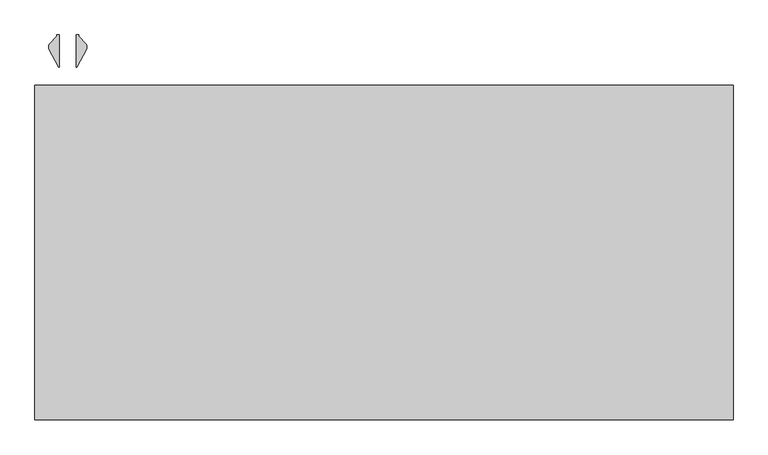
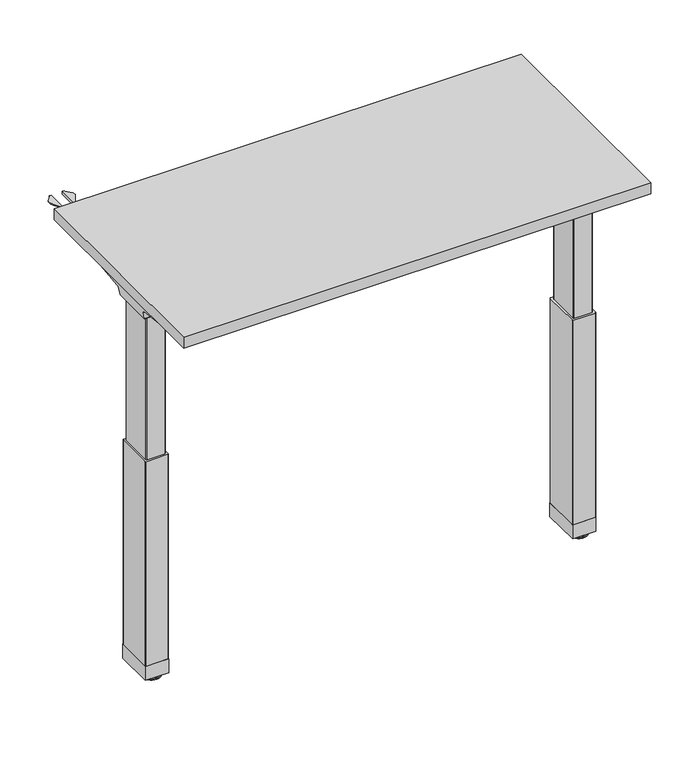
"""IFC4 building model written with IfcOpenShell, lengths in millimetres: furniture geometry."""

from ifc_helpers import new_model, si_unit, point, frame, frame_2d, origin, place, context, project, spatial, polyline, circle_curve, ellipse_curve, trimmed, segment, composite_curve, outline, extrude, source, transform, mapped, element, save
from ifc_brep_helpers import plane_surface, cylinder_surface, revolved_surface, advanced_brep


def furniture_1664a900(model_context):
    return source(origin(), model_context, "Body", "SolidModel", [
        extrude(outline(polyline([(-747.776, 434.1876), (-747.776, 1004.9256), (442.976, 1004.9256), (442.976, 434.1876), (-747.776, 434.1876)])), frame((0.0, 0.0, 1037.209), z_axis=(0.0, 0.0, 1.0), x_axis=(1.0, 0.0, 0.0)), (0.0, 0.0, 1.0), 29.591),
        advanced_brep(
        [(426.6406297, 635.7959426, 988.7915733), (367.4713552, 635.7959426, 988.7915733), (367.4713552, 638.024396, 986.1442785), (424.1518591, 638.024396, 986.1442785), (426.8625278, 635.7869568, 989.0276054), (429.2619089, 635.1429301, 1005.9443054), (367.4713552, 635.1429301, 1005.9443054), (430.1185362, 629.6758947, 1011.9839076), (367.4713552, 629.6758947, 1011.9839076), (432.6393767, 515.1046903, 1029.7569507), (367.4713552, 515.1046903, 1029.7569507), (432.7128152, 511.3286853, 1030.2747243), (367.4713552, 511.3286853, 1030.2747243), (433.3871296, 509.8184289, 1035.0289399), (431.6021288, 512.395324, 1037.209), (367.4713552, 512.395324, 1037.209), (432.7128152, 867.2817403, 1030.2747243), (367.4713552, 867.2817403, 1030.2747243), (367.4713552, 866.2151016, 1037.209), (431.6021288, 866.2151016, 1037.209), (433.3871296, 868.7919968, 1035.0289399), (432.6393767, 863.5057353, 1029.7569507), (367.4713552, 863.5057353, 1029.7569507), (430.1185362, 748.9345309, 1011.9839076), (367.4713552, 748.9345309, 1011.9839076), (429.2619089, 743.4674955, 1005.9443054), (367.4713552, 743.4674955, 1005.9443054), (426.8625278, 742.8234688, 989.0276054), (426.6406297, 742.814483, 988.7915733), (367.4713552, 742.814483, 988.7915733), (424.1518591, 740.5860297, 986.1442785), (367.4713552, 740.5860297, 986.1442785)],
        [
            (0, 1),
            (1, 2),
            (2, 3),
            (3, 0),
            (0, 4),
            (4, 5),
            (5, 6),
            (6, 1),
            (5, 7, ellipse_curve(frame((429.2119691, 628.6843719, 1005.5922075), z_axis=(0.9900906714849619, 0.0, -0.1404295632637843), x_axis=(0.1404295632637846, 0.0, 0.9900906714849619)), 6.5328852, 6.4681487)),
            (7, 8),
            (8, 6, circle_curve(frame((367.4713552, 628.6843719, 1005.5922075), z_axis=(-1.0, 0.0, 0.0), x_axis=(0.0, -1.0, 0.0)), 6.4681487)),
            (7, 9),
            (9, 10),
            (10, 8),
            (9, 11),
            (11, 12),
            (12, 10),
            (11, 13, ellipse_curve(frame((433.1730772, 513.3058017, 1033.5197755), z_axis=(-0.9900906714849619, 0.0, 0.1404295632637843), x_axis=(-0.1404295632637846, 0.0, -0.9900906714849619)), 3.8379455, 3.7999141)),
            (13, 14, ellipse_curve(frame((434.622811, 513.3058017, 1033.5197755), z_axis=(-0.7737284588432124, 0.0, -0.6335173809581766), x_axis=(-0.6335173809581766, 0.0, 0.7737284588432124)), 4.9111727, 3.7999141)),
            (14, 15),
            (15, 12, circle_curve(frame((367.4713552, 513.3058017, 1033.5197755), z_axis=(1.0, 0.0, 0.0), x_axis=(0.0, -1.0, 0.0)), 3.7999141)),
            (16, 17),
            (17, 18, circle_curve(frame((367.4713552, 865.3046239, 1033.5197755), z_axis=(1.0, 0.0, 0.0), x_axis=(0.0, -1.0, 0.0)), 3.7999141)),
            (18, 19),
            (19, 20, ellipse_curve(frame((434.622811, 865.3046239, 1033.5197755), z_axis=(-0.7737284588432124, 0.0, -0.6335173809581766), x_axis=(-0.6335173809581766, 0.0, 0.7737284588432124)), 4.9111727, 3.7999141)),
            (20, 16, ellipse_curve(frame((433.1730772, 865.3046239, 1033.5197755), z_axis=(-0.9900906714849619, 0.0, 0.1404295632637843), x_axis=(-0.1404295632637846, 0.0, -0.9900906714849619)), 3.8379455, 3.7999141)),
            (16, 21),
            (21, 22),
            (22, 17),
            (21, 23),
            (23, 24),
            (24, 22),
            (23, 25, ellipse_curve(frame((429.2119691, 749.9260537, 1005.5922075), z_axis=(0.9900906714849619, 0.0, -0.1404295632637843), x_axis=(0.1404295632637846, 0.0, 0.9900906714849619)), 6.5328852, 6.4681487)),
            (25, 26),
            (26, 24, circle_curve(frame((367.4713552, 749.9260537, 1005.5922075), z_axis=(-1.0, 0.0, 0.0), x_axis=(0.0, -1.0, 0.0)), 6.4681487)),
            (25, 27),
            (27, 28),
            (28, 29),
            (29, 26),
            (28, 30),
            (30, 31),
            (31, 29),
            (4, 27),
            (20, 13),
            (19, 14),
            (18, 15),
            (2, 31),
            (30, 3),
        ],
        [
            plane_surface(frame((449.6773962, 638.024396, 986.1442785), z_axis=(0.0, -0.7650318638532662, -0.6439924279750482), x_axis=(-1.0, 0.0, 0.0))),
            plane_surface(frame((449.6773962, 635.7959426, 988.7915733), z_axis=(0.0, -0.999276106683639, -0.03804290487316255), x_axis=(-1.0, 0.0, 0.0))),
            revolved_surface(polyline([(430.1293793154884, 622.2162232, 1005.5922075), (367.4713552, 622.2162232, 1005.5922075)]), (449.6773962, 628.6843719, 1005.5922075), (1.0, 0.0, 0.0)),
            plane_surface(frame((449.6773962, 629.6758947, 1011.9839076), z_axis=(0.0, -0.153293135871396, -0.9881807600306302), x_axis=(-1.0, 0.0, 0.0))),
            plane_surface(frame((449.6773962, 515.1046903, 1029.7569507), z_axis=(0.0, -0.13585085469026903, -0.9907292996979162), x_axis=(-1.0, 0.0, 0.0))),
            cylinder_surface(frame((449.6773962, 513.3058017, 1033.5197755), z_axis=(-1.0, 0.0, 0.0), x_axis=(0.0, -1.0, 0.0)), 3.7999141),
            cylinder_surface(frame((449.6773962, 865.3046239, 1033.5197755), z_axis=(-1.0, 0.0, 0.0), x_axis=(0.0, -1.0, 0.0)), 3.7999141),
            plane_surface(frame((449.6773962, 867.2817403, 1030.2747243), z_axis=(0.0, 0.13585085468791205, -0.9907292996982394), x_axis=(-1.0, 0.0, 0.0))),
            plane_surface(frame((449.6773962, 863.5057353, 1029.7569507), z_axis=(0.0, 0.1532931358714066, -0.9881807600306285), x_axis=(-1.0, 0.0, 0.0))),
            revolved_surface(polyline([(430.1293793154884, 743.457905, 1005.5922075), (367.4713552, 743.457905, 1005.5922075)]), (449.6773962, 749.9260537, 1005.5922075), (1.0, 0.0, 0.0)),
            plane_surface(frame((449.6773962, 743.4674955, 1005.9443054), z_axis=(0.0, 0.9992761066836363, -0.03804290487323539), x_axis=(-1.0, 0.0, 0.0))),
            plane_surface(frame((449.6773962, 742.814483, 988.7915733), z_axis=(0.0, 0.7650318638534733, -0.643992427974802), x_axis=(-1.0, 0.0, 0.0))),
            plane_surface(frame((426.8625278, 498.8052128, 989.0276054), z_axis=(0.9900906714849619, 0.0, -0.1404295632637843), x_axis=(0.0, 1.0, 0.0))),
            plane_surface(frame((433.3871296, 498.8052128, 1035.0289399), z_axis=(0.7737284588432124, 0.0, 0.6335173809581766), x_axis=(0.0, 1.0, 0.0))),
            plane_surface(frame((431.6021288, 498.8052128, 1037.209), z_axis=(0.0, 0.0, 1.0), x_axis=(0.0, 1.0, 0.0))),
            plane_surface(frame((367.4713552, 498.8052128, 986.1442785), z_axis=(0.0, 0.0, -1.0), x_axis=(0.0, 1.0, 0.0))),
            plane_surface(frame((424.1518591, 498.8052128, 986.1442785), z_axis=(0.7285846064197382, 0.0, -0.684955817033621), x_axis=(0.0, 1.0, 0.0))),
            plane_surface(frame((367.4713552, 498.8052128, 1037.209), z_axis=(-1.0, 0.0, 0.0), x_axis=(0.0, 1.0, 0.0))),
        ],
        [
            (0, [[1, 2, 3, 4]]),
            (1, [[-1, 5, 6, 7, 8]]),
            (2, [[-7, 9, 10, 11]]),
            (3, [[-10, 12, 13, 14]]),
            (4, [[-13, 15, 16, 17]]),
            (5, [[-16, 18, 19, 20, 21]]),
            (6, [[22, 23, 24, 25, 26]]),
            (7, [[-22, 27, 28, 29]]),
            (8, [[-28, 30, 31, 32]]),
            (9, [[-31, 33, 34, 35]]),
            (10, [[-34, 36, 37, 38, 39]]),
            (11, [[-38, 40, 41, 42]]),
            (12, [[43, -36, -33, -30, -27, -26, 44, -18, -15, -12, -9, -6]]),
            (13, [[-44, -25, 45, -19]]),
            (14, [[-45, -24, 46, -20]]),
            (15, [[47, -41, 48, -3]]),
            (16, [[-43, -5, -4, -48, -40, -37]]),
            (17, [[-47, -2, -8, -11, -14, -17, -21, -46, -23, -29, -32, -35, -39, -42]]),
        ],
    ),
        advanced_brep(
        [(-672.2624028, 635.7959426, 988.7915733), (-731.4406297, 635.7959426, 988.7915733), (-728.9518591, 638.024396, 986.1442785), (-672.2624028, 638.024396, 986.1442785), (-672.2624028, 635.1429301, 1005.9443054), (-734.0619089, 635.1429301, 1005.9443054), (-731.6625278, 635.7869568, 989.0276054), (-672.2624028, 629.6758947, 1011.9839076), (-734.9185362, 629.6758947, 1011.9839076), (-672.2624028, 515.1046903, 1029.7569507), (-737.4393767, 515.1046903, 1029.7569507), (-672.2624028, 511.3286853, 1030.2747243), (-737.5128152, 511.3286853, 1030.2747243), (-672.2624028, 512.395324, 1037.209), (-736.4021288, 512.395324, 1037.209), (-738.1871296, 509.8184289, 1035.0289399), (-672.2624028, 867.2817403, 1030.2747243), (-737.5128152, 867.2817403, 1030.2747243), (-738.1871296, 868.7919968, 1035.0289399), (-736.4021288, 866.2151016, 1037.209), (-672.2624028, 866.2151016, 1037.209), (-672.2624028, 863.5057353, 1029.7569507), (-737.4393767, 863.5057353, 1029.7569507), (-672.2624028, 748.9345309, 1011.9839076), (-734.9185362, 748.9345309, 1011.9839076), (-672.2624028, 743.4674955, 1005.9443054), (-734.0619089, 743.4674955, 1005.9443054), (-672.2624028, 742.814483, 988.7915733), (-731.4406297, 742.814483, 988.7915733), (-731.6625278, 742.8234688, 989.0276054), (-672.2624028, 740.5860297, 986.1442785), (-728.9518591, 740.5860297, 986.1442785)],
        [
            (0, 1),
            (1, 2),
            (2, 3),
            (3, 0),
            (0, 4),
            (4, 5),
            (5, 6),
            (6, 1),
            (4, 7, circle_curve(frame((-672.2624028, 628.6843719, 1005.5922075), z_axis=(1.0, 0.0, 0.0), x_axis=(0.0, -1.0, 0.0)), 6.4681487)),
            (7, 8),
            (8, 5, ellipse_curve(frame((-734.0119691, 628.6843719, 1005.5922075), z_axis=(-0.9900906714849659, 0.0, -0.1404295632637567), x_axis=(0.1404295632637562, 0.0, -0.9900906714849659)), 6.5328852, 6.4681487)),
            (7, 9),
            (9, 10),
            (10, 8),
            (9, 11),
            (11, 12),
            (12, 10),
            (11, 13, circle_curve(frame((-672.2624028, 513.3058017, 1033.5197755), z_axis=(-1.0, 0.0, 0.0), x_axis=(0.0, -1.0, 0.0)), 3.7999141)),
            (13, 14),
            (14, 15, ellipse_curve(frame((-739.422811, 513.3058017, 1033.5197755), z_axis=(0.7737284588399557, 0.0, -0.633517380962154), x_axis=(-0.6335173809621538, 0.0, -0.7737284588399556)), 4.9111727, 3.7999141)),
            (15, 12, ellipse_curve(frame((-737.9730772, 513.3058017, 1033.5197755), z_axis=(0.9900906714849659, 0.0, 0.1404295632637567), x_axis=(-0.1404295632637562, 0.0, 0.9900906714849659)), 3.8379455, 3.7999141)),
            (16, 17),
            (17, 18, ellipse_curve(frame((-737.9730772, 865.3046239, 1033.5197755), z_axis=(0.9900906714849659, 0.0, 0.1404295632637567), x_axis=(-0.1404295632637562, 0.0, 0.9900906714849659)), 3.8379455, 3.7999141)),
            (18, 19, ellipse_curve(frame((-739.422811, 865.3046239, 1033.5197755), z_axis=(0.7737284588399557, 0.0, -0.633517380962154), x_axis=(-0.6335173809621538, 0.0, -0.7737284588399556)), 4.9111727, 3.7999141)),
            (19, 20),
            (20, 16, circle_curve(frame((-672.2624028, 865.3046239, 1033.5197755), z_axis=(-1.0, 0.0, 0.0), x_axis=(0.0, -1.0, 0.0)), 3.7999141)),
            (16, 21),
            (21, 22),
            (22, 17),
            (21, 23),
            (23, 24),
            (24, 22),
            (23, 25, circle_curve(frame((-672.2624028, 749.9260537, 1005.5922075), z_axis=(1.0, 0.0, 0.0), x_axis=(0.0, -1.0, 0.0)), 6.4681487)),
            (25, 26),
            (26, 24, ellipse_curve(frame((-734.0119691, 749.9260537, 1005.5922075), z_axis=(-0.9900906714849659, 0.0, -0.1404295632637567), x_axis=(0.1404295632637562, 0.0, -0.9900906714849659)), 6.5328852, 6.4681487)),
            (25, 27),
            (27, 28),
            (28, 29),
            (29, 26),
            (27, 30),
            (30, 31),
            (31, 28),
            (29, 6),
            (15, 18),
            (14, 19),
            (13, 20),
            (30, 3),
            (2, 31),
        ],
        [
            plane_surface(frame((-551.4619573, 638.024396, 986.1442785), z_axis=(0.0, -0.7650318638532565, -0.6439924279750596), x_axis=(-1.0, 0.0, 0.0))),
            plane_surface(frame((-551.4619573, 635.7959426, 988.7915733), z_axis=(0.0, -0.9992761066836392, -0.03804290487315862), x_axis=(-1.0, 0.0, 0.0))),
            revolved_surface(polyline([(-672.2624028, 622.2162232, 1005.5922075), (-734.9293793154882, 622.2162232, 1005.5922075)]), (-551.4619573, 628.6843719, 1005.5922075), (1.0, 0.0, 0.0)),
            plane_surface(frame((-551.4619573, 629.6758947, 1011.9839076), z_axis=(0.0, -0.15329313587140309, -0.988180760030629), x_axis=(-1.0, 0.0, 0.0))),
            plane_surface(frame((-551.4619573, 515.1046903, 1029.7569507), z_axis=(0.0, -0.1358508546900816, -0.9907292996979419), x_axis=(-1.0, 0.0, 0.0))),
            cylinder_surface(frame((-551.4619573, 513.3058017, 1033.5197755), z_axis=(-1.0, 0.0, 0.0), x_axis=(0.0, -1.0, 0.0)), 3.7999141),
            cylinder_surface(frame((-551.4619573, 865.3046239, 1033.5197755), z_axis=(-1.0, 0.0, 0.0), x_axis=(0.0, -1.0, 0.0)), 3.7999141),
            plane_surface(frame((-551.4619573, 867.2817403, 1030.2747243), z_axis=(0.0, 0.1358508546877776, -0.9907292996982578), x_axis=(-1.0, 0.0, 0.0))),
            plane_surface(frame((-551.4619573, 863.5057353, 1029.7569507), z_axis=(0.0, 0.15329313587141113, -0.9881807600306277), x_axis=(-1.0, 0.0, 0.0))),
            revolved_surface(polyline([(-672.2624028, 743.457905, 1005.5922075), (-734.9293793154882, 743.457905, 1005.5922075)]), (-551.4619573, 749.9260537, 1005.5922075), (1.0, 0.0, 0.0)),
            plane_surface(frame((-551.4619573, 743.4674955, 1005.9443054), z_axis=(0.0, 0.9992761066836363, -0.03804290487323539), x_axis=(-1.0, 0.0, 0.0))),
            plane_surface(frame((-551.4619573, 742.814483, 988.7915733), z_axis=(0.0, 0.7650318638534733, -0.643992427974802), x_axis=(-1.0, 0.0, 0.0))),
            plane_surface(frame((-731.6625278, 879.8052128, 989.0276054), z_axis=(-0.9900906714849659, 0.0, -0.1404295632637567), x_axis=(0.0, -1.0, 0.0))),
            plane_surface(frame((-738.1871296, 879.8052128, 1035.0289399), z_axis=(-0.7737284588399557, 0.0, 0.633517380962154), x_axis=(0.0, -1.0, 0.0))),
            plane_surface(frame((-736.4021288, 879.8052128, 1037.209), z_axis=(0.0, 0.0, 1.0), x_axis=(0.0, -1.0, 0.0))),
            plane_surface(frame((-672.2624028, 879.8052128, 986.1442785), z_axis=(0.0, 0.0, -1.0), x_axis=(0.0, -1.0, 0.0))),
            plane_surface(frame((-728.9518591, 879.8052128, 986.1442785), z_axis=(-0.7285846064222696, 0.0, -0.6849558170309284), x_axis=(0.0, -1.0, 0.0))),
            plane_surface(frame((-672.2624028, 879.8052128, 1037.209), z_axis=(1.0, 0.0, 0.0), x_axis=(0.0, -1.0, 0.0))),
        ],
        [
            (0, [[1, 2, 3, 4]]),
            (1, [[-1, 5, 6, 7, 8]]),
            (2, [[-6, 9, 10, 11]]),
            (3, [[-10, 12, 13, 14]]),
            (4, [[-13, 15, 16, 17]]),
            (5, [[-16, 18, 19, 20, 21]]),
            (6, [[22, 23, 24, 25, 26]]),
            (7, [[-22, 27, 28, 29]]),
            (8, [[-28, 30, 31, 32]]),
            (9, [[-31, 33, 34, 35]]),
            (10, [[-34, 36, 37, 38, 39]]),
            (11, [[-37, 40, 41, 42]]),
            (12, [[43, -7, -11, -14, -17, -21, 44, -23, -29, -32, -35, -39]]),
            (13, [[-44, -20, 45, -24]]),
            (14, [[-45, -19, 46, -25]]),
            (15, [[47, -3, 48, -41]]),
            (16, [[-43, -38, -42, -48, -2, -8]]),
            (17, [[-47, -40, -36, -33, -30, -27, -26, -46, -18, -15, -12, -9, -5, -4]]),
        ],
    ),
        advanced_brep(
        [(-675.0283088, 644.5569631, 986.1442785), (-672.2624028, 646.9102017, 986.1442785), (-672.2624028, 731.683827, 986.1442785), (-675.3159671, 734.0332258, 986.1442785), (-718.6299922, 734.0534625, 986.1442785), (-721.6895972, 731.6837192, 986.1442785), (-721.6895972, 646.9101172, 986.1442785), (-718.9236912, 644.5569631, 986.1442785), (-675.0283088, 644.5569631, 599.0990058), (-718.9236912, 644.5569631, 599.0990058), (-721.6895972, 646.9101172, 599.0990058), (-721.6895972, 731.6837192, 599.0990058), (-718.6360098, 734.0332205, 599.0990058), (-675.3220078, 734.0534625, 599.0990058), (-672.2624028, 731.683827, 599.0990058), (-672.2624028, 646.9102017, 599.0990058)],
        [
            (0, 1, circle_curve(frame((-675.3300788, 647.7137409, 986.1442785), z_axis=(0.0, 0.0, 1.0), x_axis=(-1.0, 0.0, 0.0)), 3.1711688)),
            (1, 2),
            (2, 3, circle_curve(frame((-675.3159671, 730.8741348, 986.1442785), z_axis=(0.0, 0.0, 1.0), x_axis=(-1.0, 0.0, 0.0)), 3.1590911)),
            (3, 4),
            (4, 5, circle_curve(frame((-718.6360098, 730.8741348, 986.1442785), z_axis=(0.0, 0.0, 1.0), x_axis=(-1.0, 0.0, 0.0)), 3.1590858)),
            (5, 6),
            (6, 7, circle_curve(frame((-718.6219439, 647.7137431, 986.1442785), z_axis=(0.0, 0.0, 1.0), x_axis=(-1.0, 0.0, 0.0)), 3.1711687)),
            (7, 0),
            (8, 9),
            (9, 10, circle_curve(frame((-718.6219439, 647.7137431, 599.0990058), z_axis=(0.0, 0.0, -1.0), x_axis=(-1.0, 0.0, 0.0)), 3.1711687)),
            (10, 11),
            (11, 12, circle_curve(frame((-718.6360098, 730.8741348, 599.0990058), z_axis=(0.0, 0.0, -1.0), x_axis=(-1.0, 0.0, 0.0)), 3.1590858)),
            (12, 13),
            (13, 14, circle_curve(frame((-675.3159671, 730.8741348, 599.0990058), z_axis=(0.0, 0.0, -1.0), x_axis=(-1.0, 0.0, 0.0)), 3.1590911)),
            (14, 15),
            (15, 8, circle_curve(frame((-675.3300788, 647.7137409, 599.0990058), z_axis=(0.0, 0.0, -1.0), x_axis=(-1.0, 0.0, 0.0)), 3.1711688)),
            (7, 9),
            (8, 0),
            (6, 10),
            (5, 11),
            (4, 12),
            (3, 13),
            (2, 14),
            (1, 15),
        ],
        [
            plane_surface(frame((-678.5012476, 647.7137409, 986.1442785), z_axis=(0.0, 0.0, 1.0), x_axis=(0.0, -1.0, 0.0))),
            plane_surface(frame((-678.5012476, 647.7137409, 599.0990058), z_axis=(0.0, 0.0, -1.0), x_axis=(0.0, 1.0, 0.0))),
            plane_surface(frame((-718.9236912, 644.5569631, 986.1442785), z_axis=(0.0, -1.0, 0.0), x_axis=(0.0, 0.0, -1.0))),
            cylinder_surface(frame((-718.6219439, 647.7137431, 599.0990058), z_axis=(0.0, 0.0, 1.0), x_axis=(-1.0, 0.0, 0.0)), 3.1711687),
            plane_surface(frame((-721.6895972, 731.6837192, 986.1442785), z_axis=(-1.0, 0.0, 0.0), x_axis=(0.0, 0.0, -1.0))),
            cylinder_surface(frame((-718.6360098, 730.8741348, 599.0990058), z_axis=(0.0, 0.0, 1.0), x_axis=(-1.0, 0.0, 0.0)), 3.1590858),
            plane_surface(frame((-675.3220078, 734.0534625, 986.1442785), z_axis=(0.0, 1.0, 0.0), x_axis=(0.0, 0.0, -1.0))),
            cylinder_surface(frame((-675.3159671, 730.8741348, 599.0990058), z_axis=(0.0, 0.0, 1.0), x_axis=(-1.0, 0.0, 0.0)), 3.1590911),
            plane_surface(frame((-672.2624028, 646.9102017, 986.1442785), z_axis=(1.0, 0.0, 0.0), x_axis=(0.0, 0.0, -1.0))),
            cylinder_surface(frame((-675.3300788, 647.7137409, 599.0990058), z_axis=(0.0, 0.0, 1.0), x_axis=(-1.0, 0.0, 0.0)), 3.1711688),
        ],
        [
            (0, [[1, 2, 3, 4, 5, 6, 7, 8]]),
            (1, [[9, 10, 11, 12, 13, 14, 15, 16]]),
            (2, [[-8, 17, -9, 18]]),
            (3, [[-7, 19, -10, -17]]),
            (4, [[-6, 20, -11, -19]]),
            (5, [[-5, 21, -12, -20]]),
            (6, [[-4, 22, -13, -21]]),
            (7, [[-3, 23, -14, -22]]),
            (8, [[-2, 24, -15, -23]]),
            (9, [[-1, -18, -16, -24]]),
        ],
    ),
        advanced_brep(
        [(370.2283088, 644.5569631, 986.1442785), (414.1236912, 644.5569631, 986.1442785), (416.8806448, 646.8766887, 986.1442785), (416.8806448, 731.716762, 986.1442785), (413.8360098, 734.0332205, 986.1442785), (370.5220078, 734.0534625, 986.1442785), (367.4713552, 731.7168653, 986.1442785), (367.4713552, 646.8767695, 986.1442785), (370.2283088, 644.5569631, 599.0990058), (367.4713552, 646.8767695, 599.0990058), (367.4713552, 731.7168653, 599.0990058), (370.5159671, 734.0332258, 599.0990058), (413.8299922, 734.0534625, 599.0990058), (416.8806448, 731.716762, 599.0990058), (416.8806448, 646.8766887, 599.0990058), (414.1236912, 644.5569631, 599.0990058)],
        [
            (0, 1),
            (1, 2, circle_curve(frame((413.8219439, 647.7137431, 986.1442785), z_axis=(0.0, 0.0, 1.0), x_axis=(1.0, 0.0, 0.0)), 3.1711687)),
            (2, 3),
            (3, 4, circle_curve(frame((413.8360098, 730.8741348, 986.1442785), z_axis=(0.0, 0.0, 1.0), x_axis=(1.0, 0.0, 0.0)), 3.1590858)),
            (4, 5),
            (5, 6, circle_curve(frame((370.5159671, 730.8741348, 986.1442785), z_axis=(0.0, 0.0, 1.0), x_axis=(1.0, 0.0, 0.0)), 3.1590911)),
            (6, 7),
            (7, 0, circle_curve(frame((370.5300788, 647.7137409, 986.1442785), z_axis=(0.0, 0.0, 1.0), x_axis=(1.0, 0.0, 0.0)), 3.1711688)),
            (8, 9, circle_curve(frame((370.5300788, 647.7137409, 599.0990058), z_axis=(0.0, 0.0, -1.0), x_axis=(1.0, 0.0, 0.0)), 3.1711688)),
            (9, 10),
            (10, 11, circle_curve(frame((370.5159671, 730.8741348, 599.0990058), z_axis=(0.0, 0.0, -1.0), x_axis=(1.0, 0.0, 0.0)), 3.1590911)),
            (11, 12),
            (12, 13, circle_curve(frame((413.8360098, 730.8741348, 599.0990058), z_axis=(0.0, 0.0, -1.0), x_axis=(1.0, 0.0, 0.0)), 3.1590858)),
            (13, 14),
            (14, 15, circle_curve(frame((413.8219439, 647.7137431, 599.0990058), z_axis=(0.0, 0.0, -1.0), x_axis=(1.0, 0.0, 0.0)), 3.1711687)),
            (15, 8),
            (0, 8),
            (15, 1),
            (14, 2),
            (13, 3),
            (12, 4),
            (11, 5),
            (10, 6),
            (9, 7),
        ],
        [
            plane_surface(frame((414.1236912, 644.5569631, 986.1442785), z_axis=(0.0, 0.0, 1.0), x_axis=(1.0, 0.0, 0.0))),
            plane_surface(frame((414.1236912, 644.5569631, 599.0990058), z_axis=(0.0, 0.0, -1.0), x_axis=(-1.0, 0.0, 0.0))),
            plane_surface(frame((370.2283088, 644.5569631, 986.1442785), z_axis=(0.0, -1.0, 0.0), x_axis=(0.0, 0.0, -1.0))),
            cylinder_surface(frame((413.8219439, 647.7137431, 599.0990058), z_axis=(0.0, 0.0, 1.0), x_axis=(1.0, 0.0, 0.0)), 3.1711687),
            plane_surface(frame((416.8806448, 646.8766887, 986.1442785), z_axis=(1.0, 0.0, 0.0), x_axis=(0.0, 0.0, -1.0))),
            cylinder_surface(frame((413.8360098, 730.8741348, 599.0990058), z_axis=(0.0, 0.0, 1.0), x_axis=(1.0, 0.0, 0.0)), 3.1590858),
            plane_surface(frame((413.8299922, 734.0534625, 986.1442785), z_axis=(0.0, 1.0, 0.0), x_axis=(0.0, 0.0, -1.0))),
            cylinder_surface(frame((370.5159671, 730.8741348, 599.0990058), z_axis=(0.0, 0.0, 1.0), x_axis=(1.0, 0.0, 0.0)), 3.1590911),
            plane_surface(frame((367.4713552, 731.7168653, 986.1442785), z_axis=(-1.0, -1.2500910194563498e-12, 0.0), x_axis=(0.0, 0.0, -1.0))),
            cylinder_surface(frame((370.5300788, 647.7137409, 599.0990058), z_axis=(0.0, 0.0, 1.0), x_axis=(1.0, 0.0, 0.0)), 3.1711688),
        ],
        [
            (0, [[1, 2, 3, 4, 5, 6, 7, 8]]),
            (1, [[9, 10, 11, 12, 13, 14, 15, 16]]),
            (2, [[-1, 17, -16, 18]]),
            (3, [[-2, -18, -15, 19]]),
            (4, [[-3, -19, -14, 20]]),
            (5, [[-4, -20, -13, 21]]),
            (6, [[-5, -21, -12, 22]]),
            (7, [[-6, -22, -11, 23]]),
            (8, [[-7, -23, -10, 24]]),
            (9, [[-8, -24, -9, -17]]),
        ],
    ),
        extrude(outline(composite_curve([segment(trimmed(circle_curve(frame_2d((364.516092, 641.5793048)), 2.248592), [point((364.516092, 639.3307128))], [point((362.2675, 641.5793048))], False, "CARTESIAN"), True, "CONTINUOUS"), segment(polyline([(362.2675, 641.5793048), (362.2675, 737.0310659)]), True, "CONTINUOUS"), segment(trimmed(circle_curve(frame_2d((364.5161469, 737.0310659)), 2.2486469), [point((362.2675, 737.0310659))], [point((364.5161469, 739.2797128))], False, "CARTESIAN"), True, "CONTINUOUS"), segment(polyline([(364.5161469, 739.2797128), (419.835908, 739.2797128)]), True, "CONTINUOUS"), segment(trimmed(circle_curve(frame_2d((419.835908, 737.0311208)), 2.248592), [point((419.835908, 739.2797128))], [point((422.0845, 737.0311208))], False, "CARTESIAN"), True, "CONTINUOUS"), segment(polyline([(422.0845, 737.0311208), (422.0845, 641.5793048)]), True, "CONTINUOUS"), segment(trimmed(circle_curve(frame_2d((419.835908, 641.5793048)), 2.248592), [point((422.0845, 641.5793048))], [point((419.835908, 639.3307128))], False, "CARTESIAN"), True, "CONTINUOUS"), segment(polyline([(419.835908, 639.3307128), (364.516092, 639.3307128)]), True, "CONTINUOUS")], self_intersect=False)), frame((0.0, 0.0, 48.1000573), z_axis=(0.0, 0.0, 1.0), x_axis=(1.0, 0.0, 0.0)), (0.0, 0.0, 1.0), 550.9989485),
        extrude(outline(composite_curve([segment(trimmed(circle_curve(frame_2d((-724.5521079, 641.6631049)), 2.3323921), [point((-724.5521079, 639.3307128))], [point((-726.8845, 641.6631049))], False, "CARTESIAN"), True, "CONTINUOUS"), segment(polyline([(-726.8845, 641.6631049), (-726.8845, 736.9473207)]), True, "CONTINUOUS"), segment(trimmed(circle_curve(frame_2d((-724.5521079, 736.9473207)), 2.3323921), [point((-726.8845, 736.9473207))], [point((-724.5521079, 739.2797128))], False, "CARTESIAN"), True, "CONTINUOUS"), segment(polyline([(-724.5521079, 739.2797128), (-669.3998921, 739.2797128)]), True, "CONTINUOUS"), segment(trimmed(circle_curve(frame_2d((-669.3998921, 736.9473207)), 2.3323921), [point((-669.3998921, 739.2797128))], [point((-667.0675, 736.9473207))], False, "CARTESIAN"), True, "CONTINUOUS"), segment(polyline([(-667.0675, 736.9473207), (-667.0675, 641.6631049)]), True, "CONTINUOUS"), segment(trimmed(circle_curve(frame_2d((-669.3998921, 641.6631049)), 2.3323921), [point((-667.0675, 641.6631049))], [point((-669.3998921, 639.3307128))], False, "CARTESIAN"), True, "CONTINUOUS"), segment(polyline([(-669.3998921, 639.3307128), (-724.5521079, 639.3307128)]), True, "CONTINUOUS")], self_intersect=False)), frame((0.0, 0.0, 48.1000573), z_axis=(0.0, 0.0, 1.0), x_axis=(1.0, 0.0, 0.0)), (0.0, 0.0, 1.0), 550.9989485),
        advanced_brep(
        [(-696.976, 671.3030475, 10.2361894), (-696.976, 657.2832975, 10.2361894), (-696.976, 657.6704727, 8.7946116), (-696.976, 670.9158723, 8.7946116), (-696.976, 664.2931725, 10.2361894), (-696.976, 685.2500609, 0.0), (-696.976, 643.3362842, 0.0), (-696.976, 664.2931725, 0.0), (-696.976, 686.7937912, 1.5436985), (-696.976, 641.7925538, 1.5436985), (-696.976, 686.7937365, 4.1072626), (-696.976, 641.7926085, 4.1072626), (-696.976, 685.2538961, 5.9174378), (-696.976, 643.3324489, 5.9174378)],
        [
            (0, 1, circle_curve(frame((-696.976, 664.2931725, 10.2361894), z_axis=(0.0, 0.0, -1.0), x_axis=(0.0, -1.0, 0.0)), 7.009875)),
            (1, 2),
            (2, 3, circle_curve(frame((-696.976, 664.2931725, 8.7946116), z_axis=(0.0, 0.0, 1.0), x_axis=(0.0, -1.0, 0.0)), 6.6226998)),
            (3, 0),
            (1, 0, circle_curve(frame((-696.976, 664.2931725, 10.2361894), z_axis=(0.0, 0.0, -1.0), x_axis=(0.0, -1.0, 0.0)), 7.009875)),
            (3, 2, circle_curve(frame((-696.976, 664.2931725, 8.7946116), z_axis=(0.0, 0.0, 1.0), x_axis=(0.0, -1.0, 0.0)), 6.6226998)),
            (4, 1),
            (0, 4),
            (5, 6, circle_curve(frame((-696.976, 664.2931725, 0.0), z_axis=(0.0, 0.0, -1.0), x_axis=(0.0, -1.0, 0.0)), 20.9568884)),
            (6, 7),
            (7, 5),
            (6, 5, circle_curve(frame((-696.976, 664.2931725, 0.0), z_axis=(0.0, 0.0, -1.0), x_axis=(0.0, -1.0, 0.0)), 20.9568884)),
            (8, 9, circle_curve(frame((-696.976, 664.2931725, 1.5436985), z_axis=(0.0, 0.0, -1.0), x_axis=(0.0, -1.0, 0.0)), 22.5006187)),
            (9, 6),
            (5, 8),
            (9, 8, circle_curve(frame((-696.976, 664.2931725, 1.5436985), z_axis=(0.0, 0.0, -1.0), x_axis=(0.0, -1.0, 0.0)), 22.5006187)),
            (10, 11, circle_curve(frame((-696.976, 664.2931725, 4.1072626), z_axis=(0.0, 0.0, -1.0), x_axis=(0.0, -1.0, 0.0)), 22.500564)),
            (11, 9),
            (8, 10),
            (11, 10, circle_curve(frame((-696.976, 664.2931725, 4.1072626), z_axis=(0.0, 0.0, -1.0), x_axis=(0.0, -1.0, 0.0)), 22.500564)),
            (12, 13, circle_curve(frame((-696.976, 664.2931725, 5.9174378), z_axis=(0.0, 0.0, -1.0), x_axis=(0.0, -1.0, 0.0)), 20.9607236)),
            (13, 11),
            (10, 12),
            (13, 12, circle_curve(frame((-696.976, 664.2931725, 5.9174378), z_axis=(0.0, 0.0, -1.0), x_axis=(0.0, -1.0, 0.0)), 20.9607236)),
            (2, 13),
            (12, 3),
        ],
        [
            revolved_surface(polyline([(-696.976, 657.6704727, 8.7946116), (-696.976, 657.2832975, 10.2361894)]), (-696.976, 664.2931725, 0.0), (0.0, 0.0, 1.0)),
            plane_surface(frame((-696.976, 664.2931725, 10.2361894), z_axis=(0.0, 0.0, 1.0), x_axis=(0.0, -1.0, 0.0))),
            plane_surface(frame((-696.976, 664.2931725, 0.0), z_axis=(0.0, 0.0, -1.0), x_axis=(0.0, -1.0, 0.0))),
            revolved_surface(polyline([(-696.976, 643.3362842, 0.0), (-696.976, 641.7925538, 1.5436985)]), (-696.976, 664.2931725, 0.0), (0.0, 0.0, 1.0)),
            cylinder_surface(frame((-696.976, 664.2931725, 0.0), z_axis=(0.0, 0.0, 1.0), x_axis=(0.0, -1.0, 0.0)), 22.500564),
            revolved_surface(polyline([(-696.976, 641.792463, 4.1072626), (-696.976, 643.3324489, 5.9174378)]), (-696.976, 664.2931725, 0.0), (0.0, 0.0, 1.0)),
            revolved_surface(polyline([(-696.976, 643.3324489, 5.9174378), (-696.976, 657.6704727, 8.7946116)]), (-696.976, 664.2931725, 0.0), (0.0, 0.0, 1.0)),
        ],
        [
            (0, [[1, 2, 3, 4]]),
            (0, [[5, -4, 6, -2]]),
            (1, [[7, -1, 8]]),
            (1, [[-8, -5, -7]]),
            (2, [[9, 10, 11]]),
            (2, [[12, -11, -10]]),
            (3, [[13, 14, -9, 15]]),
            (3, [[16, -15, -12, -14]]),
            (4, [[17, 18, -13, 19]]),
            (4, [[20, -19, -16, -18]]),
            (5, [[21, 22, -17, 23]]),
            (5, [[24, -23, -20, -22]]),
            (6, [[-3, 25, -21, 26]]),
            (6, [[-6, -26, -24, -25]]),
        ],
    ),
        extrude(outline(polyline([(-667.0675, 738.9199959), (-667.0675, 639.5370001), (-726.8845, 639.5370001), (-726.8845, 738.9199959), (-667.0675, 738.9199959)])), frame((0.0, 0.0, 10.2361894), z_axis=(0.0, 0.0, 1.0), x_axis=(1.0, 0.0, 0.0)), (0.0, 0.0, 1.0), 37.8638679),
        advanced_brep(
        [(392.176, 671.3030475, 10.2361894), (392.176, 657.2832975, 10.2361894), (392.176, 657.6704727, 8.7946116), (392.176, 670.9158723, 8.7946116), (392.176, 664.2931725, 10.2361894), (392.176, 685.2500609, 0.0), (392.176, 643.3362842, 0.0), (392.176, 664.2931725, 0.0), (392.176, 686.7937912, 1.5436985), (392.176, 641.7925538, 1.5436985), (392.176, 686.7937365, 4.1072626), (392.176, 641.7926085, 4.1072626), (392.176, 685.2538961, 5.9174378), (392.176, 643.3324489, 5.9174378)],
        [
            (0, 1, circle_curve(frame((392.176, 664.2931725, 10.2361894), z_axis=(0.0, 0.0, -1.0), x_axis=(0.0, -1.0, 0.0)), 7.009875)),
            (1, 2),
            (2, 3, circle_curve(frame((392.176, 664.2931725, 8.7946116), z_axis=(0.0, 0.0, 1.0), x_axis=(0.0, -1.0, 0.0)), 6.6226998)),
            (3, 0),
            (1, 0, circle_curve(frame((392.176, 664.2931725, 10.2361894), z_axis=(0.0, 0.0, -1.0), x_axis=(0.0, -1.0, 0.0)), 7.009875)),
            (3, 2, circle_curve(frame((392.176, 664.2931725, 8.7946116), z_axis=(0.0, 0.0, 1.0), x_axis=(0.0, -1.0, 0.0)), 6.6226998)),
            (4, 1),
            (0, 4),
            (5, 6, circle_curve(frame((392.176, 664.2931725, 0.0), z_axis=(0.0, 0.0, -1.0), x_axis=(0.0, -1.0, 0.0)), 20.9568884)),
            (6, 7),
            (7, 5),
            (6, 5, circle_curve(frame((392.176, 664.2931725, 0.0), z_axis=(0.0, 0.0, -1.0), x_axis=(0.0, -1.0, 0.0)), 20.9568884)),
            (8, 9, circle_curve(frame((392.176, 664.2931725, 1.5436985), z_axis=(0.0, 0.0, -1.0), x_axis=(0.0, -1.0, 0.0)), 22.5006187)),
            (9, 6),
            (5, 8),
            (9, 8, circle_curve(frame((392.176, 664.2931725, 1.5436985), z_axis=(0.0, 0.0, -1.0), x_axis=(0.0, -1.0, 0.0)), 22.5006187)),
            (10, 11, circle_curve(frame((392.176, 664.2931725, 4.1072626), z_axis=(0.0, 0.0, -1.0), x_axis=(0.0, -1.0, 0.0)), 22.500564)),
            (11, 9),
            (8, 10),
            (11, 10, circle_curve(frame((392.176, 664.2931725, 4.1072626), z_axis=(0.0, 0.0, -1.0), x_axis=(0.0, -1.0, 0.0)), 22.500564)),
            (12, 13, circle_curve(frame((392.176, 664.2931725, 5.9174378), z_axis=(0.0, 0.0, -1.0), x_axis=(0.0, -1.0, 0.0)), 20.9607236)),
            (13, 11),
            (10, 12),
            (13, 12, circle_curve(frame((392.176, 664.2931725, 5.9174378), z_axis=(0.0, 0.0, -1.0), x_axis=(0.0, -1.0, 0.0)), 20.9607236)),
            (2, 13),
            (12, 3),
        ],
        [
            revolved_surface(polyline([(392.176, 657.6704727, 8.7946116), (392.176, 657.2832975, 10.2361894)]), (392.176, 664.2931725, 0.0), (0.0, 0.0, 1.0)),
            plane_surface(frame((392.176, 664.2931725, 10.2361894), z_axis=(0.0, 0.0, 1.0), x_axis=(0.0, -1.0, 0.0))),
            plane_surface(frame((392.176, 664.2931725, 0.0), z_axis=(0.0, 0.0, -1.0), x_axis=(0.0, -1.0, 0.0))),
            revolved_surface(polyline([(392.176, 643.3362842, 0.0), (392.176, 641.7925538, 1.5436985)]), (392.176, 664.2931725, 0.0), (0.0, 0.0, 1.0)),
            cylinder_surface(frame((392.176, 664.2931725, 0.0), z_axis=(0.0, 0.0, 1.0), x_axis=(0.0, -1.0, 0.0)), 22.500564),
            revolved_surface(polyline([(392.176, 641.792463, 4.1072626), (392.176, 643.3324489, 5.9174378)]), (392.176, 664.2931725, 0.0), (0.0, 0.0, 1.0)),
            revolved_surface(polyline([(392.176, 643.3324489, 5.9174378), (392.176, 657.6704727, 8.7946116)]), (392.176, 664.2931725, 0.0), (0.0, 0.0, 1.0)),
        ],
        [
            (0, [[1, 2, 3, 4]]),
            (0, [[5, -4, 6, -2]]),
            (1, [[7, -1, 8]]),
            (1, [[-8, -5, -7]]),
            (2, [[9, 10, 11]]),
            (2, [[12, -11, -10]]),
            (3, [[13, 14, -9, 15]]),
            (3, [[16, -15, -12, -14]]),
            (4, [[17, 18, -13, 19]]),
            (4, [[20, -19, -16, -18]]),
            (5, [[21, 22, -17, 23]]),
            (5, [[24, -23, -20, -22]]),
            (6, [[-3, 25, -21, 26]]),
            (6, [[-6, -26, -24, -25]]),
        ],
    ),
        extrude(outline(polyline([(362.2675, 639.5370001), (362.2675, 738.9199959), (422.0845, 738.9199959), (422.0845, 639.5370001), (362.2675, 639.5370001)])), frame((0.0, 0.0, 10.2361894), z_axis=(0.0, 0.0, 1.0), x_axis=(1.0, 0.0, 0.0)), (0.0, 0.0, 1.0), 37.8638679),
        advanced_brep(
        [(-677.6331697, 1035.3628978, 1037.209), (-677.6331697, 1035.3628978, 1029.9601819), (-676.51166, 1035.3628978, 1029.8867914), (-676.51166, 1035.3628978, 1037.209), (-673.3278093, 1090.8360352, 1033.5228106), (-673.4778673, 1090.8360352, 1031.2297138), (-673.8572398, 1090.8360352, 1029.7130886), (-677.6331697, 1090.8360352, 1029.9601819), (-677.6331697, 1090.8360352, 1037.209), (-672.9573081, 1090.8360352, 1037.209), (-672.9573081, 1090.8360352, 1033.8693631), (-659.2556977, 1066.9139656, 1037.209), (-659.2556977, 1072.0993849, 1037.209), (-661.1637879, 1075.6879807, 1037.209), (-672.9573081, 1088.8863381, 1037.209), (-659.5338057, 1066.4054686, 1036.2591307), (-659.5338057, 1073.0132102, 1036.2591307), (-660.124758, 1065.3249623, 1035.4654291), (-660.124758, 1074.2706593, 1035.4654291), (-661.0021754, 1063.7206789, 1034.9271625), (-661.0021754, 1075.5057944, 1034.9271625), (-663.834924, 1058.5412376, 1034.7095886), (-663.834924, 1078.6773009, 1034.7095886), (-661.1637879, 1075.6879807, 1034.9147496), (-672.05964, 1043.50304, 1034.7090072), (-672.05964, 1087.8817403, 1034.7090072), (-673.3278093, 1041.1842996, 1033.5228106), (-672.9573081, 1088.8863381, 1033.8693631), (-673.4778673, 1040.9099312, 1031.2297138), (-673.8572398, 1040.2162807, 1029.7130886)],
        [
            (0, 1),
            (1, 2),
            (2, 3),
            (3, 0),
            (4, 5),
            (5, 6),
            (6, 7),
            (7, 8),
            (8, 9),
            (9, 10),
            (10, 4),
            (8, 0),
            (3, 11),
            (11, 12),
            (12, 13, circle_curve(frame((-667.1824137, 1070.1862479, 1037.209), z_axis=(0.0, 0.0, 1.0), x_axis=(-1.0000000000000004, 0.0, 0.0)), 8.1543192)),
            (13, 14),
            (14, 9),
            (11, 15),
            (15, 16),
            (16, 12, ellipse_curve(frame((-667.1824137, 1070.1862479, 1010.1355466), z_axis=(0.9597108497777287, 0.0, -0.28098947456961787), x_axis=(-0.28098947456961787, 0.0, -0.9597108497777287)), 29.0200165, 8.1543192)),
            (15, 17),
            (17, 18),
            (18, 16, ellipse_curve(frame((-667.1824137, 1070.1862479, 1025.9863691), z_axis=(0.8020925083963487, 0.0, -0.5971998057387943), x_axis=(-0.5971998057387944, 0.0, -0.8020925083963485)), 13.6542563, 8.1543192)),
            (17, 19),
            (19, 20),
            (20, 18, ellipse_curve(frame((-667.1824137, 1070.1862479, 1031.1357905), z_axis=(0.5229113139159308, 0.0, -0.8523870938597763), x_axis=(-0.8523870938597765, 0.0, -0.5229113139159306)), 9.5664508, 8.1543192)),
            (19, 21),
            (21, 22),
            (22, 23),
            (23, 20, ellipse_curve(frame((-667.1824137, 1070.1862479, 1034.4524791), z_axis=(0.07658109560408619, 0.0, -0.9970633559589269), x_axis=(-0.9970633559589269, 0.0, -0.07658109560408602)), 8.178336, 8.1543192)),
            (21, 24),
            (24, 25),
            (25, 22),
            (26, 4),
            (10, 27),
            (27, 25),
            (24, 26),
            (26, 28),
            (28, 5),
            (28, 29),
            (29, 6),
            (29, 2),
            (1, 7),
            (27, 14),
            (13, 23),
        ],
        [
            plane_surface(frame((-677.6331697, 1035.3628978, 1029.7916475), z_axis=(0.0, -1.0, 0.0), x_axis=(0.0, 0.0, -1.0))),
            plane_surface(frame((-677.6331697, 1090.8360352, 1029.7916475), z_axis=(0.0, 1.0, 0.0), x_axis=(0.0, 0.0, 1.0))),
            plane_surface(frame((-659.2556977, 1035.3628978, 1037.209), z_axis=(0.0, 0.0, 1.0), x_axis=(0.0, 1.0, 0.0))),
            plane_surface(frame((-659.5338057, 1035.3628978, 1036.2591307), z_axis=(0.9597108497777287, 0.0, -0.28098947456961787), x_axis=(0.0, 1.0, 0.0))),
            plane_surface(frame((-660.124758, 1035.3628978, 1035.4654291), z_axis=(0.8020925083963485, 0.0, -0.5971998057387942), x_axis=(0.0, 1.0, 0.0))),
            plane_surface(frame((-661.0021754, 1035.3628978, 1034.9271625), z_axis=(0.5229113139159308, 0.0, -0.8523870938597763), x_axis=(0.0, 1.0, 0.0))),
            plane_surface(frame((-663.834924, 1035.3628978, 1034.7095886), z_axis=(0.07658109560408619, 0.0, -0.9970633559589269), x_axis=(0.0, 1.0, 0.0))),
            plane_surface(frame((-672.05964, 1035.3628978, 1034.7090072), z_axis=(7.068449081192282e-05, 0.0, -0.9999999975018514), x_axis=(0.0, 1.0, 0.0))),
            plane_surface(frame((-673.3278093, 1035.3628978, 1033.5228106), z_axis=(0.6831094450823832, 0.0, -0.7303160179259652), x_axis=(0.0, 1.0, 0.0))),
            plane_surface(frame((-673.4778673, 1035.3628978, 1031.2297138), z_axis=(0.9978657180161974, 0.0, -0.06529937831265216), x_axis=(0.0, 1.0, 0.0))),
            plane_surface(frame((-673.8572398, 1035.3628978, 1029.7130886), z_axis=(0.9701099565798296, 0.0, -0.24266576220118338), x_axis=(0.0, 1.0, 0.0))),
            plane_surface(frame((-677.6331697, 1035.3628978, 1029.9601819), z_axis=(-0.0652993783126831, 0.0, -0.9978657180161954), x_axis=(0.0, 1.0, 0.0))),
            plane_surface(frame((-677.6331697, 1035.3628978, 1037.209), z_axis=(-1.0, 0.0, 0.0), x_axis=(0.0, 1.0, 0.0))),
            plane_surface(frame((-658.8963549, 1067.5709936, 1067.1304045), z_axis=(0.8773539056662267, -0.4798438539902514, 0.0), x_axis=(0.0, 0.0, -1.0))),
            plane_surface(frame((-672.9573081, 1088.8863381, 1044.0028547), z_axis=(0.7456773398656481, 0.666307215037396, 0.0), x_axis=(0.0, 0.0, -1.0))),
            plane_surface(frame((-672.9573081, 1092.0626644, 1044.0028547), z_axis=(1.0, 0.0, 0.0), x_axis=(0.0, 0.0, -1.0))),
            cylinder_surface(frame((-667.1824137, 1070.1862479, 344.6554878), z_axis=(0.0, 0.0, -1.0), x_axis=(-1.0000000000000004, 0.0, 0.0)), 8.1543192),
        ],
        [
            (0, [[1, 2, 3, 4]]),
            (1, [[5, 6, 7, 8, 9, 10, 11]]),
            (2, [[12, -4, 13, 14, 15, 16, 17, -9]]),
            (3, [[18, 19, 20, -14]]),
            (4, [[21, 22, 23, -19]]),
            (5, [[24, 25, 26, -22]]),
            (6, [[27, 28, 29, 30, -25]]),
            (7, [[31, 32, 33, -28]]),
            (8, [[34, -11, 35, 36, -32, 37]]),
            (9, [[-5, -34, 38, 39]]),
            (10, [[-6, -39, 40, 41]]),
            (11, [[-7, -41, 42, -2, 43]]),
            (12, [[-1, -12, -8, -43]]),
            (13, [[-3, -42, -40, -38, -37, -31, -27, -24, -21, -18, -13]]),
            (14, [[44, -16, 45, -29, -33, -36]]),
            (15, [[-44, -35, -10, -17]]),
            (16, [[-15, -20, -23, -26, -30, -45]]),
        ],
    ),
        advanced_brep(
        [(-706.2096303, 1035.3628978, 1029.9601819), (-706.2096303, 1035.3628978, 1037.209), (-707.33114, 1035.3628978, 1037.209), (-707.33114, 1035.3628978, 1029.8867914), (-706.2096303, 1090.8360352, 1037.209), (-706.2096303, 1090.8360352, 1029.9601819), (-709.9855602, 1090.8360352, 1029.7130886), (-710.3649327, 1090.8360352, 1031.2297138), (-710.5149907, 1090.8360352, 1033.5228106), (-710.8854919, 1090.8360352, 1033.8693631), (-710.8854919, 1090.8360352, 1037.209), (-710.8854919, 1088.8863381, 1037.209), (-722.6790121, 1075.6879807, 1037.209), (-724.5871023, 1072.0993849, 1037.209), (-724.5871023, 1066.9139656, 1037.209), (-724.3089943, 1066.4054686, 1036.2591307), (-724.3089943, 1073.0132102, 1036.2591307), (-723.718042, 1065.3249623, 1035.4654291), (-723.718042, 1074.2706593, 1035.4654291), (-722.8406246, 1063.7206789, 1034.9271625), (-722.8406246, 1075.5057944, 1034.9271625), (-720.007876, 1058.5412376, 1034.7095886), (-722.6790121, 1075.6879807, 1034.9147496), (-720.007876, 1078.6773009, 1034.7095886), (-711.78316, 1043.50304, 1034.7090072), (-711.78316, 1087.8817403, 1034.7090072), (-710.5149907, 1041.1842996, 1033.5228106), (-710.8854919, 1088.8863381, 1033.8693631), (-710.3649327, 1040.9099312, 1031.2297138), (-709.9855602, 1040.2162807, 1029.7130886)],
        [
            (0, 1),
            (1, 2),
            (2, 3),
            (3, 0),
            (4, 5),
            (5, 6),
            (6, 7),
            (7, 8),
            (8, 9),
            (9, 10),
            (10, 4),
            (1, 4),
            (10, 11),
            (11, 12),
            (12, 13, circle_curve(frame((-716.6603863, 1070.1862479, 1037.209), z_axis=(0.0, 0.0, 1.0), x_axis=(1.0000000000000004, 0.0, 0.0)), 8.1543192)),
            (13, 14),
            (14, 2),
            (15, 14),
            (13, 16, ellipse_curve(frame((-716.6603863, 1070.1862479, 1010.1355466), z_axis=(-0.9597108497777287, 0.0, -0.28098947456961787), x_axis=(0.28098947456961787, 0.0, -0.9597108497777287)), 29.0200165, 8.1543192)),
            (16, 15),
            (17, 15),
            (16, 18, ellipse_curve(frame((-716.6603863, 1070.1862479, 1025.9863691), z_axis=(-0.8020925083963487, 0.0, -0.5971998057387943), x_axis=(0.5971998057387944, 0.0, -0.8020925083963485)), 13.6542563, 8.1543192)),
            (18, 17),
            (19, 17),
            (18, 20, ellipse_curve(frame((-716.6603863, 1070.1862479, 1031.1357905), z_axis=(-0.5229113139159308, 0.0, -0.8523870938597763), x_axis=(0.8523870938597765, 0.0, -0.5229113139159306)), 9.5664508, 8.1543192)),
            (20, 19),
            (21, 19),
            (20, 22, ellipse_curve(frame((-716.6603863, 1070.1862479, 1034.4524791), z_axis=(-0.07658109560408913, 0.0, -0.9970633559589267), x_axis=(0.9970633559589267, 0.0, -0.07658109560408889)), 8.178336, 8.1543192)),
            (22, 23),
            (23, 21),
            (24, 21),
            (23, 25),
            (25, 24),
            (8, 26),
            (26, 24),
            (25, 27),
            (27, 9),
            (7, 28),
            (28, 26),
            (6, 29),
            (29, 28),
            (5, 0),
            (3, 29),
            (11, 27),
            (22, 12),
        ],
        [
            plane_surface(frame((-708.2451645, 1035.3628978, 1037.209), z_axis=(0.0, -1.0, 0.0), x_axis=(-1.0, 0.0, 0.0))),
            plane_surface(frame((-708.2451645, 1090.8360352, 1037.209), z_axis=(0.0, 1.0, 0.0), x_axis=(1.0, 0.0, 0.0))),
            plane_surface(frame((-706.2096303, 1035.3628978, 1037.209), z_axis=(0.0, 0.0, 1.0), x_axis=(0.0, 1.0, 0.0))),
            plane_surface(frame((-724.5871023, 1035.3628978, 1037.209), z_axis=(-0.9597108497777287, 0.0, -0.28098947456961787), x_axis=(0.0, 1.0, 0.0))),
            plane_surface(frame((-724.3089943, 1035.3628978, 1036.2591307), z_axis=(-0.8020925083963485, 0.0, -0.5971998057387942), x_axis=(0.0, 1.0, 0.0))),
            plane_surface(frame((-723.718042, 1035.3628978, 1035.4654291), z_axis=(-0.5229113139159308, 0.0, -0.8523870938597763), x_axis=(0.0, 1.0, 0.0))),
            plane_surface(frame((-722.8406246, 1035.3628978, 1034.9271625), z_axis=(-0.07658109560408913, 0.0, -0.9970633559589267), x_axis=(0.0, 1.0, 0.0))),
            plane_surface(frame((-720.007876, 1035.3628978, 1034.7095886), z_axis=(-7.068449081192188e-05, 0.0, -0.9999999975018514), x_axis=(0.0, 1.0, 0.0))),
            plane_surface(frame((-711.78316, 1035.3628978, 1034.7090072), z_axis=(-0.683109445082383, 0.0, -0.7303160179259655), x_axis=(0.0, 1.0, 0.0))),
            plane_surface(frame((-710.5149907, 1035.3628978, 1033.5228106), z_axis=(-0.9978657180161974, 0.0, -0.06529937831265216), x_axis=(0.0, 1.0, 0.0))),
            plane_surface(frame((-710.3649327, 1035.3628978, 1031.2297138), z_axis=(-0.9701099565798296, 0.0, -0.24266576220118338), x_axis=(0.0, 1.0, 0.0))),
            plane_surface(frame((-709.9855602, 1035.3628978, 1029.7130886), z_axis=(0.06529937831268308, 0.0, -0.9978657180161954), x_axis=(0.0, 1.0, 0.0))),
            plane_surface(frame((-706.2096303, 1035.3628978, 1029.9601819), z_axis=(1.0, 0.0, 0.0), x_axis=(0.0, 1.0, 0.0))),
            plane_surface(frame((-707.33114, 1035.3628978, 1067.1304045), z_axis=(-0.8773539056662298, -0.47984385399024576, 0.0), x_axis=(0.0, 0.0, -1.0))),
            plane_surface(frame((-722.6790121, 1075.6879807, 1044.0028547), z_axis=(-0.7456773398656439, 0.6663072150374009, 0.0), x_axis=(0.0, 0.0, -1.0))),
            plane_surface(frame((-710.8854919, 1088.8863381, 1044.0028547), z_axis=(-1.0, 0.0, 0.0), x_axis=(0.0, 0.0, -1.0))),
            cylinder_surface(frame((-716.6603863, 1070.1862479, 344.6554878), z_axis=(0.0, 0.0, -1.0), x_axis=(1.0000000000000004, 0.0, 0.0)), 8.1543192),
        ],
        [
            (0, [[1, 2, 3, 4]]),
            (1, [[5, 6, 7, 8, 9, 10, 11]]),
            (2, [[12, -11, 13, 14, 15, 16, 17, -2]]),
            (3, [[18, -16, 19, 20]]),
            (4, [[21, -20, 22, 23]]),
            (5, [[24, -23, 25, 26]]),
            (6, [[27, -26, 28, 29, 30]]),
            (7, [[31, -30, 32, 33]]),
            (8, [[34, 35, -33, 36, 37, -9]]),
            (9, [[-8, 38, 39, -34]]),
            (10, [[-7, 40, 41, -38]]),
            (11, [[-6, 42, -4, 43, -40]]),
            (12, [[-1, -42, -5, -12]]),
            (13, [[-3, -17, -18, -21, -24, -27, -31, -35, -39, -41, -43]]),
            (14, [[44, -36, -32, -29, 45, -14]]),
            (15, [[-44, -13, -10, -37]]),
            (16, [[-15, -45, -28, -25, -22, -19]]),
        ],
    ),
    ])


if __name__ == "__main__":
    model = new_model("IFC4")
    model_context = context("Model", 3, world=origin())
    ifc_project = project(units=[si_unit("LENGTHUNIT", "METRE", prefix="MILLI")], contexts=[model_context])
    site = spatial("IfcSite", under=ifc_project)
    building = spatial("IfcBuilding", under=site)
    placement = place(None, origin())
    furniture_shape = furniture_1664a900(model_context)
    element("IfcFurniture", 1, at=placement, inside=building, context=model_context, shape_type="MappedRepresentation", body=[
        mapped(furniture_shape, transform((0.0, 0.0, 0.0), x_axis=(1.0, 0.0, 0.0), y_axis=(0.0, 1.0, 0.0), z_axis=(0.0, 0.0, 1.0))),
    ])
    save(model, "model.ifc")
